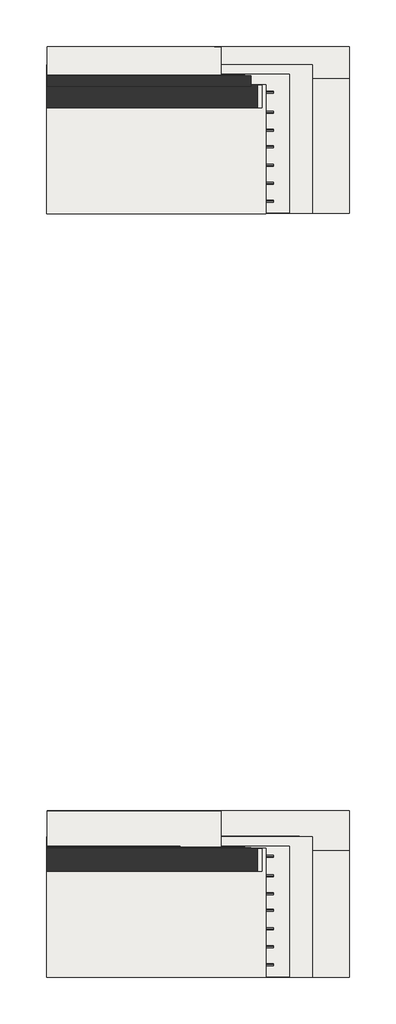
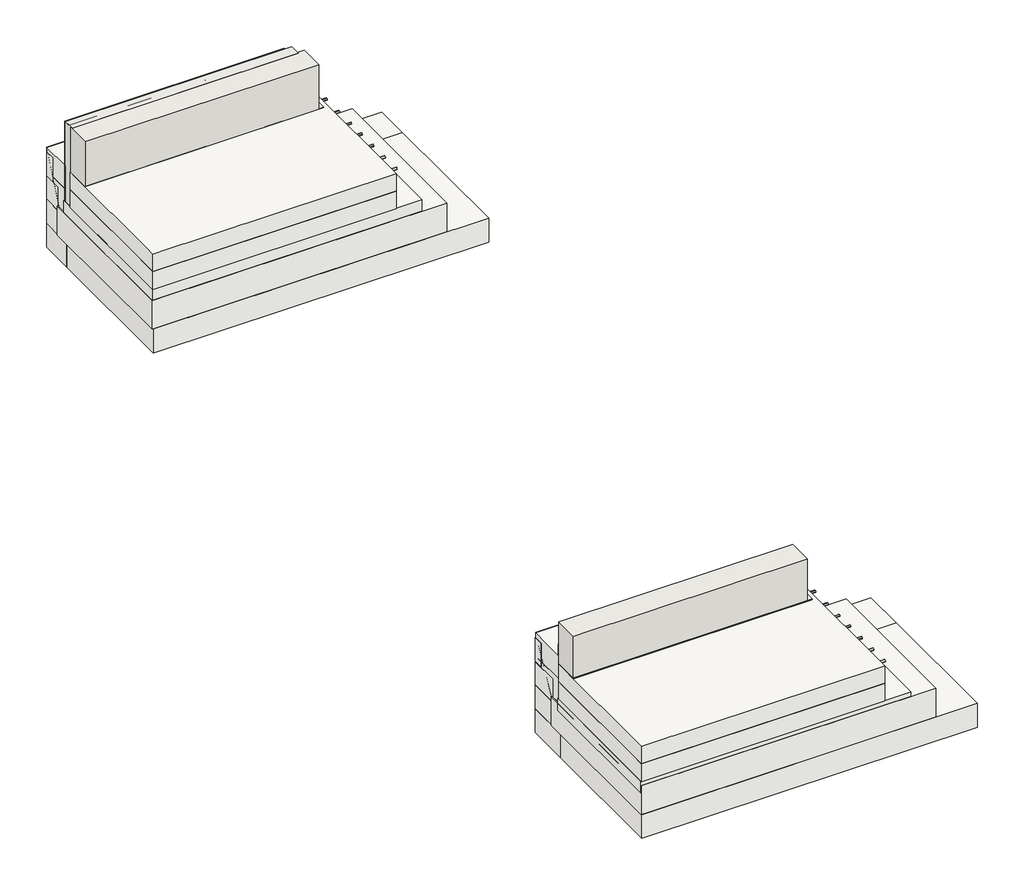
# One storey: 26 slabs, 14 pipe segments, 7 walls, 2 coverings.
"""IFC4 building model written with IfcOpenShell, lengths in millimetres."""

from ifc_helpers import new_model, si_unit, point, frame, frame_2d, origin, origin_with_axes, place, context, project, spatial, polyline, circle_curve, trimmed, segment, composite_curve, outline, extrude, faceted_brep, element, save
from ifc_brep_helpers import plane_surface, spline_surface, advanced_brep

model = new_model("IFC4")

# Units and contexts
model_context = context("Model", 3, world=origin())
ifc_project = project(units=[si_unit("LENGTHUNIT", "METRE", prefix="MILLI")], contexts=[model_context])

# Site, building, storey
site = spatial("IfcSite", under=ifc_project)
building = spatial("IfcBuilding", under=site)
storey = spatial("IfcBuildingStorey", under=building, Elevation=0.0)

# Coverings
placement = place(None, origin())
element("IfcCovering", 1, at=placement, inside=storey, context=model_context, shape_type="SweptSolid", body=[
    extrude(outline(polyline([(-19912.9443313, 1078.3877949), (-19912.9443313, 1375.4120749), (-17072.9443313, 1375.4120749), (-17072.9443313, 1078.3877949), (-19912.9443313, 1078.3877949)])), frame((0.0, 0.0, 902.0), z_axis=(0.0, 0.0, 1.0), x_axis=(1.0, 0.0, 0.0)), (0.0, 0.0, 1.0), 57.0),
])
element("IfcCovering", 2, at=placement, inside=storey, context=model_context, shape_type="SweptSolid", body=[
    extrude(outline(polyline([(-19912.9443313, -9012.5125117), (-19912.9443313, -8715.4882317), (-17072.9443313, -8715.4882317), (-17072.9443313, -9012.5125117), (-19912.9443313, -9012.5125117)])), frame((0.0, 0.0, 815.0), z_axis=(0.0, 0.0, 1.0), x_axis=(1.0, 0.0, 0.0)), (0.0, 0.0, 1.0), 57.0),
])

# Pipe segments
element("IfcPipeSegment", 3, at=placement, inside=storey, context=model_context, shape_type="SweptSolid", body=[
    extrude(outline(composite_curve([segment(trimmed(circle_curve(frame_2d((-161.9282434, 886.7937383)), 13.335), [point((-148.5932434, 886.7937383))], [point((-161.9282434, 873.4587383))], False, "CARTESIAN"), True, "CONTINUOUS"), segment(trimmed(circle_curve(frame_2d((-161.9282434, 886.7937383)), 13.335), [point((-161.9282434, 873.4587383))], [point((-175.2632434, 886.7937383))], False, "CARTESIAN"), True, "CONTINUOUS"), segment(trimmed(circle_curve(frame_2d((-161.9282434, 886.7937383)), 13.335), [point((-175.2632434, 886.7937383))], [point((-161.9282434, 900.1287383))], False, "CARTESIAN"), True, "CONTINUOUS"), segment(trimmed(circle_curve(frame_2d((-161.9282434, 886.7937383)), 13.335), [point((-161.9282434, 900.1287383))], [point((-148.5932434, 886.7937383))], False, "CARTESIAN"), True, "CONTINUOUS")], self_intersect=False)), frame((-17139.8329252, 0.0, 0.0), z_axis=(1.0, 0.0, 0.0), x_axis=(0.0, 1.0, 0.0)), (0.0, 0.0, 1.0), 220.0),
])
element("IfcPipeSegment", 4, at=placement, inside=storey, context=model_context, shape_type="SweptSolid", body=[
    extrude(outline(composite_curve([segment(trimmed(circle_curve(frame_2d((78.0717566, 886.7937383)), 13.335), [point((91.4067566, 886.7937383))], [point((78.0717566, 873.4587383))], False, "CARTESIAN"), True, "CONTINUOUS"), segment(trimmed(circle_curve(frame_2d((78.0717566, 886.7937383)), 13.335), [point((78.0717566, 873.4587383))], [point((64.7367566, 886.7937383))], False, "CARTESIAN"), True, "CONTINUOUS"), segment(trimmed(circle_curve(frame_2d((78.0717566, 886.7937383)), 13.335), [point((64.7367566, 886.7937383))], [point((78.0717566, 900.1287383))], False, "CARTESIAN"), True, "CONTINUOUS"), segment(trimmed(circle_curve(frame_2d((78.0717566, 886.7937383)), 13.335), [point((78.0717566, 900.1287383))], [point((91.4067566, 886.7937383))], False, "CARTESIAN"), True, "CONTINUOUS")], self_intersect=False)), frame((-17139.8329252, 0.0, 0.0), z_axis=(1.0, 0.0, 0.0), x_axis=(0.0, 1.0, 0.0)), (0.0, 0.0, 1.0), 220.0),
])
element("IfcPipeSegment", 5, at=placement, inside=storey, context=model_context, shape_type="SweptSolid", body=[
    extrude(outline(composite_curve([segment(trimmed(circle_curve(frame_2d((318.0717566, 886.7937383)), 13.335), [point((331.4067566, 886.7937383))], [point((318.0717566, 873.4587383))], False, "CARTESIAN"), True, "CONTINUOUS"), segment(trimmed(circle_curve(frame_2d((318.0717566, 886.7937383)), 13.335), [point((318.0717566, 873.4587383))], [point((304.7367566, 886.7937383))], False, "CARTESIAN"), True, "CONTINUOUS"), segment(trimmed(circle_curve(frame_2d((318.0717566, 886.7937383)), 13.335), [point((304.7367566, 886.7937383))], [point((318.0717566, 900.1287383))], False, "CARTESIAN"), True, "CONTINUOUS"), segment(trimmed(circle_curve(frame_2d((318.0717566, 886.7937383)), 13.335), [point((318.0717566, 900.1287383))], [point((331.4067566, 886.7937383))], False, "CARTESIAN"), True, "CONTINUOUS")], self_intersect=False)), frame((-17139.8329252, 0.0, 0.0), z_axis=(1.0, 0.0, 0.0), x_axis=(0.0, 1.0, 0.0)), (0.0, 0.0, 1.0), 220.0),
])
element("IfcPipeSegment", 6, at=placement, inside=storey, context=model_context, shape_type="SweptSolid", body=[
    extrude(outline(composite_curve([segment(trimmed(circle_curve(frame_2d((558.0717566, 886.7937383)), 13.335), [point((571.4067566, 886.7937383))], [point((558.0717566, 873.4587383))], False, "CARTESIAN"), True, "CONTINUOUS"), segment(trimmed(circle_curve(frame_2d((558.0717566, 886.7937383)), 13.335), [point((558.0717566, 873.4587383))], [point((544.7367566, 886.7937383))], False, "CARTESIAN"), True, "CONTINUOUS"), segment(trimmed(circle_curve(frame_2d((558.0717566, 886.7937383)), 13.335), [point((544.7367566, 886.7937383))], [point((558.0717566, 900.1287383))], False, "CARTESIAN"), True, "CONTINUOUS"), segment(trimmed(circle_curve(frame_2d((558.0717566, 886.7937383)), 13.335), [point((558.0717566, 900.1287383))], [point((571.4067566, 886.7937383))], False, "CARTESIAN"), True, "CONTINUOUS")], self_intersect=False)), frame((-17139.8329252, 0.0, 0.0), z_axis=(1.0, 0.0, 0.0), x_axis=(0.0, 1.0, 0.0)), (0.0, 0.0, 1.0), 220.0),
])
element("IfcPipeSegment", 7, at=placement, inside=storey, context=model_context, shape_type="SweptSolid", body=[
    extrude(outline(composite_curve([segment(trimmed(circle_curve(frame_2d((778.0717566, 886.7937383)), 13.335), [point((791.4067566, 886.7937383))], [point((778.0717566, 873.4587383))], False, "CARTESIAN"), True, "CONTINUOUS"), segment(trimmed(circle_curve(frame_2d((778.0717566, 886.7937383)), 13.335), [point((778.0717566, 873.4587383))], [point((764.7367566, 886.7937383))], False, "CARTESIAN"), True, "CONTINUOUS"), segment(trimmed(circle_curve(frame_2d((778.0717566, 886.7937383)), 13.335), [point((764.7367566, 886.7937383))], [point((778.0717566, 900.1287383))], False, "CARTESIAN"), True, "CONTINUOUS"), segment(trimmed(circle_curve(frame_2d((778.0717566, 886.7937383)), 13.335), [point((778.0717566, 900.1287383))], [point((791.4067566, 886.7937383))], False, "CARTESIAN"), True, "CONTINUOUS")], self_intersect=False)), frame((-17139.8329252, 0.0, 0.0), z_axis=(1.0, 0.0, 0.0), x_axis=(0.0, 1.0, 0.0)), (0.0, 0.0, 1.0), 220.0),
])
element("IfcPipeSegment", 8, at=placement, inside=storey, context=model_context, shape_type="SweptSolid", body=[
    extrude(outline(composite_curve([segment(trimmed(circle_curve(frame_2d((1018.0717566, 886.7937383)), 13.335), [point((1031.4067566, 886.7937383))], [point((1018.0717566, 873.4587383))], False, "CARTESIAN"), True, "CONTINUOUS"), segment(trimmed(circle_curve(frame_2d((1018.0717566, 886.7937383)), 13.335), [point((1018.0717566, 873.4587383))], [point((1004.7367566, 886.7937383))], False, "CARTESIAN"), True, "CONTINUOUS"), segment(trimmed(circle_curve(frame_2d((1018.0717566, 886.7937383)), 13.335), [point((1004.7367566, 886.7937383))], [point((1018.0717566, 900.1287383))], False, "CARTESIAN"), True, "CONTINUOUS"), segment(trimmed(circle_curve(frame_2d((1018.0717566, 886.7937383)), 13.335), [point((1018.0717566, 900.1287383))], [point((1031.4067566, 886.7937383))], False, "CARTESIAN"), True, "CONTINUOUS")], self_intersect=False)), frame((-17139.8329252, 0.0, 0.0), z_axis=(1.0, 0.0, 0.0), x_axis=(0.0, 1.0, 0.0)), (0.0, 0.0, 1.0), 220.0),
])
element("IfcPipeSegment", 9, at=placement, inside=storey, context=model_context, shape_type="SweptSolid", body=[
    extrude(outline(composite_curve([segment(trimmed(circle_curve(frame_2d((1278.0717566, 886.7937383)), 13.335), [point((1291.4067566, 886.7937383))], [point((1278.0717566, 873.4587383))], False, "CARTESIAN"), True, "CONTINUOUS"), segment(trimmed(circle_curve(frame_2d((1278.0717566, 886.7937383)), 13.335), [point((1278.0717566, 873.4587383))], [point((1264.7367566, 886.7937383))], False, "CARTESIAN"), True, "CONTINUOUS"), segment(trimmed(circle_curve(frame_2d((1278.0717566, 886.7937383)), 13.335), [point((1264.7367566, 886.7937383))], [point((1278.0717566, 900.1287383))], False, "CARTESIAN"), True, "CONTINUOUS"), segment(trimmed(circle_curve(frame_2d((1278.0717566, 886.7937383)), 13.335), [point((1278.0717566, 900.1287383))], [point((1291.4067566, 886.7937383))], False, "CARTESIAN"), True, "CONTINUOUS")], self_intersect=False)), frame((-17139.8329252, 0.0, 0.0), z_axis=(1.0, 0.0, 0.0), x_axis=(0.0, 1.0, 0.0)), (0.0, 0.0, 1.0), 220.0),
])
element("IfcPipeSegment", 10, at=placement, inside=storey, context=model_context, shape_type="SweptSolid", body=[
    extrude(outline(composite_curve([segment(trimmed(circle_curve(frame_2d((-10253.4738214, 795.4859805)), 13.335), [point((-10240.1388214, 795.4859805))], [point((-10253.4738214, 782.1509805))], False, "CARTESIAN"), True, "CONTINUOUS"), segment(trimmed(circle_curve(frame_2d((-10253.4738214, 795.4859805)), 13.335), [point((-10253.4738214, 782.1509805))], [point((-10266.8088214, 795.4859805))], False, "CARTESIAN"), True, "CONTINUOUS"), segment(trimmed(circle_curve(frame_2d((-10253.4738214, 795.4859805)), 13.335), [point((-10266.8088214, 795.4859805))], [point((-10253.4738214, 808.8209805))], False, "CARTESIAN"), True, "CONTINUOUS"), segment(trimmed(circle_curve(frame_2d((-10253.4738214, 795.4859805)), 13.335), [point((-10253.4738214, 808.8209805))], [point((-10240.1388214, 795.4859805))], False, "CARTESIAN"), True, "CONTINUOUS")], self_intersect=False)), frame((-17139.8329252, 0.0, 0.0), z_axis=(1.0, 0.0, 0.0), x_axis=(0.0, 1.0, 0.0)), (0.0, 0.0, 1.0), 220.0),
])
element("IfcPipeSegment", 11, at=placement, inside=storey, context=model_context, shape_type="SweptSolid", body=[
    extrude(outline(composite_curve([segment(trimmed(circle_curve(frame_2d((-10013.4738214, 795.4859805)), 13.335), [point((-10000.1388214, 795.4859805))], [point((-10013.4738214, 782.1509805))], False, "CARTESIAN"), True, "CONTINUOUS"), segment(trimmed(circle_curve(frame_2d((-10013.4738214, 795.4859805)), 13.335), [point((-10013.4738214, 782.1509805))], [point((-10026.8088214, 795.4859805))], False, "CARTESIAN"), True, "CONTINUOUS"), segment(trimmed(circle_curve(frame_2d((-10013.4738214, 795.4859805)), 13.335), [point((-10026.8088214, 795.4859805))], [point((-10013.4738214, 808.8209805))], False, "CARTESIAN"), True, "CONTINUOUS"), segment(trimmed(circle_curve(frame_2d((-10013.4738214, 795.4859805)), 13.335), [point((-10013.4738214, 808.8209805))], [point((-10000.1388214, 795.4859805))], False, "CARTESIAN"), True, "CONTINUOUS")], self_intersect=False)), frame((-17139.8329252, 0.0, 0.0), z_axis=(1.0, 0.0, 0.0), x_axis=(0.0, 1.0, 0.0)), (0.0, 0.0, 1.0), 220.0),
])
element("IfcPipeSegment", 12, at=placement, inside=storey, context=model_context, shape_type="SweptSolid", body=[
    extrude(outline(composite_curve([segment(trimmed(circle_curve(frame_2d((-9773.4738214, 795.4859805)), 13.335), [point((-9760.1388214, 795.4859805))], [point((-9773.4738214, 782.1509805))], False, "CARTESIAN"), True, "CONTINUOUS"), segment(trimmed(circle_curve(frame_2d((-9773.4738214, 795.4859805)), 13.335), [point((-9773.4738214, 782.1509805))], [point((-9786.8088214, 795.4859805))], False, "CARTESIAN"), True, "CONTINUOUS"), segment(trimmed(circle_curve(frame_2d((-9773.4738214, 795.4859805)), 13.335), [point((-9786.8088214, 795.4859805))], [point((-9773.4738214, 808.8209805))], False, "CARTESIAN"), True, "CONTINUOUS"), segment(trimmed(circle_curve(frame_2d((-9773.4738214, 795.4859805)), 13.335), [point((-9773.4738214, 808.8209805))], [point((-9760.1388214, 795.4859805))], False, "CARTESIAN"), True, "CONTINUOUS")], self_intersect=False)), frame((-17139.8329252, 0.0, 0.0), z_axis=(1.0, 0.0, 0.0), x_axis=(0.0, 1.0, 0.0)), (0.0, 0.0, 1.0), 220.0),
])
element("IfcPipeSegment", 13, at=placement, inside=storey, context=model_context, shape_type="SweptSolid", body=[
    extrude(outline(composite_curve([segment(trimmed(circle_curve(frame_2d((-9533.4738214, 795.4859805)), 13.335), [point((-9520.1388214, 795.4859805))], [point((-9533.4738214, 782.1509805))], False, "CARTESIAN"), True, "CONTINUOUS"), segment(trimmed(circle_curve(frame_2d((-9533.4738214, 795.4859805)), 13.335), [point((-9533.4738214, 782.1509805))], [point((-9546.8088214, 795.4859805))], False, "CARTESIAN"), True, "CONTINUOUS"), segment(trimmed(circle_curve(frame_2d((-9533.4738214, 795.4859805)), 13.335), [point((-9546.8088214, 795.4859805))], [point((-9533.4738214, 808.8209805))], False, "CARTESIAN"), True, "CONTINUOUS"), segment(trimmed(circle_curve(frame_2d((-9533.4738214, 795.4859805)), 13.335), [point((-9533.4738214, 808.8209805))], [point((-9520.1388214, 795.4859805))], False, "CARTESIAN"), True, "CONTINUOUS")], self_intersect=False)), frame((-17139.8329252, 0.0, 0.0), z_axis=(1.0, 0.0, 0.0), x_axis=(0.0, 1.0, 0.0)), (0.0, 0.0, 1.0), 220.0),
])
element("IfcPipeSegment", 14, at=placement, inside=storey, context=model_context, shape_type="SweptSolid", body=[
    extrude(outline(composite_curve([segment(trimmed(circle_curve(frame_2d((-9313.4738214, 795.4859805)), 13.335), [point((-9300.1388214, 795.4859805))], [point((-9313.4738214, 782.1509805))], False, "CARTESIAN"), True, "CONTINUOUS"), segment(trimmed(circle_curve(frame_2d((-9313.4738214, 795.4859805)), 13.335), [point((-9313.4738214, 782.1509805))], [point((-9326.8088214, 795.4859805))], False, "CARTESIAN"), True, "CONTINUOUS"), segment(trimmed(circle_curve(frame_2d((-9313.4738214, 795.4859805)), 13.335), [point((-9326.8088214, 795.4859805))], [point((-9313.4738214, 808.8209805))], False, "CARTESIAN"), True, "CONTINUOUS"), segment(trimmed(circle_curve(frame_2d((-9313.4738214, 795.4859805)), 13.335), [point((-9313.4738214, 808.8209805))], [point((-9300.1388214, 795.4859805))], False, "CARTESIAN"), True, "CONTINUOUS")], self_intersect=False)), frame((-17139.8329252, 0.0, 0.0), z_axis=(1.0, 0.0, 0.0), x_axis=(0.0, 1.0, 0.0)), (0.0, 0.0, 1.0), 220.0),
])
element("IfcPipeSegment", 15, at=placement, inside=storey, context=model_context, shape_type="SweptSolid", body=[
    extrude(outline(composite_curve([segment(trimmed(circle_curve(frame_2d((-9073.4738214, 795.4859805)), 13.335), [point((-9060.1388214, 795.4859805))], [point((-9073.4738214, 782.1509805))], False, "CARTESIAN"), True, "CONTINUOUS"), segment(trimmed(circle_curve(frame_2d((-9073.4738214, 795.4859805)), 13.335), [point((-9073.4738214, 782.1509805))], [point((-9086.8088214, 795.4859805))], False, "CARTESIAN"), True, "CONTINUOUS"), segment(trimmed(circle_curve(frame_2d((-9073.4738214, 795.4859805)), 13.335), [point((-9086.8088214, 795.4859805))], [point((-9073.4738214, 808.8209805))], False, "CARTESIAN"), True, "CONTINUOUS"), segment(trimmed(circle_curve(frame_2d((-9073.4738214, 795.4859805)), 13.335), [point((-9073.4738214, 808.8209805))], [point((-9060.1388214, 795.4859805))], False, "CARTESIAN"), True, "CONTINUOUS")], self_intersect=False)), frame((-17139.8329252, 0.0, 0.0), z_axis=(1.0, 0.0, 0.0), x_axis=(0.0, 1.0, 0.0)), (0.0, 0.0, 1.0), 220.0),
])
element("IfcPipeSegment", 16, at=placement, inside=storey, context=model_context, shape_type="SweptSolid", body=[
    extrude(outline(composite_curve([segment(trimmed(circle_curve(frame_2d((-8813.4738214, 795.4859805)), 13.335), [point((-8800.1388214, 795.4859805))], [point((-8813.4738214, 782.1509805))], False, "CARTESIAN"), True, "CONTINUOUS"), segment(trimmed(circle_curve(frame_2d((-8813.4738214, 795.4859805)), 13.335), [point((-8813.4738214, 782.1509805))], [point((-8826.8088214, 795.4859805))], False, "CARTESIAN"), True, "CONTINUOUS"), segment(trimmed(circle_curve(frame_2d((-8813.4738214, 795.4859805)), 13.335), [point((-8826.8088214, 795.4859805))], [point((-8813.4738214, 808.8209805))], False, "CARTESIAN"), True, "CONTINUOUS"), segment(trimmed(circle_curve(frame_2d((-8813.4738214, 795.4859805)), 13.335), [point((-8813.4738214, 808.8209805))], [point((-8800.1388214, 795.4859805))], False, "CARTESIAN"), True, "CONTINUOUS")], self_intersect=False)), frame((-17139.8329252, 0.0, 0.0), z_axis=(1.0, 0.0, 0.0), x_axis=(0.0, 1.0, 0.0)), (0.0, 0.0, 1.0), 220.0),
])

# Slabs
element("IfcSlab", 17, at=placement, inside=storey, context=model_context, shape_type="SweptSolid", body=[
    extrude(outline(polyline([(-15912.8443338, -318.3267269), (-19913.0443288, -318.3267269), (-19913.0443288, 1461.6732731), (-15912.8443338, 1461.6732731), (-15912.8443338, -318.3267269)])), frame((0.0, 0.0, -300.0), z_axis=(0.0, 0.0, 1.0), x_axis=(1.0, 0.0, 0.0)), (0.0, 0.0, 1.0), 300.0),
])
element("IfcSlab", 18, at=placement, inside=storey, context=model_context, shape_type="AdvancedBrep", body=[
    advanced_brep(
    [(-17612.9443313, 1464.9960141, -300.0), (-17612.9443313, 1464.9960141, 0.0), (-19911.4859544, 1464.9960141, 0.0), (-19911.4859544, 1464.9960141, -300.0), (-19911.4859544, 1884.9960141, 960.0), (-19911.4859544, 1884.9960141, 660.0), (-17612.9443313, 1884.9960141, 965.9460662), (-17612.9443313, 1884.9960141, 665.9460662)],
    [
        (0, 1),
        (1, 2),
        (2, 3),
        (3, 0),
        (2, 4),
        (4, 5),
        (5, 3),
        (4, 6),
        (6, 7),
        (7, 5),
        (6, 1),
        (0, 7),
    ],
    [
        plane_surface(frame((-17612.9443313, 1464.9960141, -300.0), z_axis=(0.0, -1.0, 0.0), x_axis=(0.0, 0.0, 1.0))),
        plane_surface(frame((-19911.4859544, 1464.9960141, -300.0), z_axis=(-1.0, 0.0, 0.0), x_axis=(0.0, 0.0, 1.0))),
        plane_surface(frame((-19911.4859544, 1884.9960141, -300.0), z_axis=(0.0, 1.0, 0.0), x_axis=(0.0, 0.0, 1.0))),
        plane_surface(frame((-17612.9443313, 1884.9960141, -300.0), z_axis=(1.0, 0.0, 0.0), x_axis=(0.0, 0.0, 1.0))),
        spline_surface(1, 1, [[(-19911.4859544, 1884.9960141, 960.0), (-17612.9443313, 1884.9960141, 965.9460662)], [(-19911.4859544, 1464.9960141, 0.0), (-17612.9443313, 1464.9960141, 0.0)]], [2, 2], [2, 2], [0.0, 1.0], [0.0, 1.0]),
        spline_surface(1, 1, [[(-19911.4859544, 1884.9960141, 660.0), (-19911.4859544, 1464.9960141, -300.0)], [(-17612.9443313, 1884.9960141, 665.9460662), (-17612.9443313, 1464.9960141, -300.0)]], [2, 2], [2, 2], [0.0, 1.0], [0.0, 1.0]),
    ],
    [
        (0, [[1, 2, 3, 4]]),
        (1, [[-3, 5, 6, 7]]),
        (2, [[-6, 8, 9, 10]]),
        (3, [[-9, 11, -1, 12]]),
        (4, [[-8, -5, -2, -11]]),
        (5, [[-12, -4, -7, -10]]),
    ],
),
])
element("IfcSlab", 19, at=placement, inside=storey, context=model_context, shape_type="SweptSolid", body=[
    extrude(outline(polyline([(-19912.9443313, 1464.9960141), (-19912.9443313, 1884.9960141), (-15912.9443313, 1884.9960141), (-15912.9443313, 1464.9960141), (-19912.9443313, 1464.9960141)])), frame((0.0, 0.0, -300.0), z_axis=(0.0, 0.0, 1.0), x_axis=(1.0, 0.0, 0.0)), (0.0, 0.0, 1.0), 300.0),
])
element("IfcSlab", 20, at=placement, inside=storey, context=model_context, shape_type="SweptSolid", body=[
    extrude(outline(polyline([(-17612.9443313, 1761.9190911), (-19912.9443313, 1761.9190911), (-19912.9443313, 1884.9960141), (-17612.9443313, 1884.9960141), (-17612.9443313, 1761.9190911)])), frame((0.0, 0.0, 600.0), z_axis=(0.0, 0.0, 1.0), x_axis=(1.0, 0.0, 0.0)), (0.0, 0.0, 1.0), 300.0),
])
element("IfcSlab", 21, at=placement, inside=storey, context=model_context, shape_type="SweptSolid", body=[
    extrude(outline(polyline([(-16406.2745506, -314.9257544), (-19919.6141119, -314.9257544), (-19919.6141119, 1647.3292404), (-16406.2745506, 1647.3292404), (-16406.2745506, -314.9257544)])), origin_with_axes(), (0.0, 0.0, 1.0), 362.0),
])
element("IfcSlab", 22, at=placement, inside=storey, context=model_context, shape_type="SweptSolid", body=[
    extrude(outline(polyline([(-16705.6519655, -310.6118554), (-19920.236697, -310.6118554), (-19920.236697, 1518.0717566), (-16705.6519655, 1518.0717566), (-16705.6519655, -310.6118554)])), frame((0.0, 0.0, 360.0), z_axis=(0.0, 0.0, 1.0), x_axis=(1.0, 0.0, 0.0)), (0.0, 0.0, 1.0), 150.0),
])
element("IfcSlab", 23, at=placement, inside=storey, context=model_context, shape_type="SweptSolid", body=[
    extrude(outline(polyline([(-19912.9443313, 1608.0717566), (-19912.9443313, 1884.709299), (-17612.9443313, 1884.709299), (-17612.9443313, 1608.0717566), (-19912.9443313, 1608.0717566)])), frame((0.0, 0.0, 2.0), z_axis=(0.0, 0.0, 1.0), x_axis=(1.0, 0.0, 0.0)), (0.0, 0.0, 1.0), 300.0),
])
element("IfcSlab", 24, at=placement, inside=storey, context=model_context, shape_type="SweptSolid", body=[
    extrude(outline(polyline([(-19912.9443313, 1657.3292404), (-19912.9443313, 1884.9960141), (-17612.9443313, 1884.9960141), (-17612.9443313, 1657.3292404), (-19912.9443313, 1657.3292404)])), frame((0.0, 0.0, 292.5829854), z_axis=(0.0, 0.0, 1.0), x_axis=(1.0, 0.0, 0.0)), (0.0, 0.0, 1.0), 300.0),
])
element("IfcSlab", 25, at=placement, inside=storey, context=model_context, shape_type="SweptSolid", body=[
    extrude(outline(polyline([(-19912.9443313, 1498.0717566), (-19912.9443313, 1825.7640642), (-17612.9443313, 1825.7640642), (-17612.9443313, 1498.0717566), (-19912.9443313, 1498.0717566)])), frame((0.0, 0.0, 366.2474743), z_axis=(0.0, 0.0, 1.0), x_axis=(1.0, 0.0, 0.0)), (0.0, 0.0, 1.0), 300.0),
])
element("IfcSlab", 26, at=placement, inside=storey, context=model_context, shape_type="SweptSolid", body=[
    extrude(outline(polyline([(-19912.9443313, 1498.0717566), (-19912.9443313, 1880.166432), (-17612.9443313, 1880.166432), (-17612.9443313, 1498.0717566), (-19912.9443313, 1498.0717566)])), frame((0.0, 0.0, 660.0), z_axis=(0.0, 0.0, 1.0), x_axis=(1.0, 0.0, 0.0)), (0.0, 0.0, 1.0), 300.0),
])
element("IfcSlab", 27, at=placement, inside=storey, context=model_context, shape_type="SweptSolid", body=[
    extrude(outline(polyline([(-17017.7771422, -323.7334546), (-19921.2233707, -323.7334546), (-19921.2233707, 1378.0717566), (-17017.7771422, 1378.0717566), (-17017.7771422, -323.7334546)])), frame((0.0, 0.0, 508.4174424), z_axis=(0.0, 0.0, 1.0), x_axis=(1.0, 0.0, 0.0)), (0.0, 0.0, 1.0), 225.0),
])
element("IfcSlab", 28, at=placement, inside=storey, context=model_context, shape_type="SweptSolid", body=[
    extrude(outline(polyline([(-17017.7771422, -323.7334546), (-19921.2233707, -323.7334546), (-19921.2233707, 1378.0717566), (-17017.7771422, 1378.0717566), (-17017.7771422, -323.7334546)])), frame((0.0, 0.0, 728.4174424), z_axis=(0.0, 0.0, 1.0), x_axis=(1.0, 0.0, 0.0)), (0.0, 0.0, 1.0), 225.0),
])
element("IfcSlab", 29, at=placement, inside=storey, context=model_context, shape_type="SweptSolid", body=[
    extrude(outline(polyline([(-15911.7634299, -10418.3267269), (-19914.1252327, -10418.3267269), (-19914.1252327, -8743.3267269), (-15911.7634299, -8743.3267269), (-15911.7634299, -10418.3267269)])), frame((0.0, 0.0, -300.0), z_axis=(0.0, 0.0, 1.0), x_axis=(1.0, 0.0, 0.0)), (0.0, 0.0, 1.0), 300.0),
])
element("IfcSlab", 30, at=placement, inside=storey, context=model_context, shape_type="AdvancedBrep", body=[
    advanced_brep(
    [(-17612.9443313, -8740.0039859, -300.0), (-17612.9443313, -8740.0039859, 0.0), (-19911.4859544, -8740.0039859, 0.0), (-19911.4859544, -8740.0039859, -300.0), (-19911.4859544, -8215.0039859, 960.0), (-19911.4859544, -8215.0039859, 660.0), (-17612.9443313, -8215.0039859, 965.9460662), (-17612.9443313, -8215.0039859, 665.9460662)],
    [
        (0, 1),
        (1, 2),
        (2, 3),
        (3, 0),
        (2, 4),
        (4, 5),
        (5, 3),
        (4, 6),
        (6, 7),
        (7, 5),
        (6, 1),
        (0, 7),
    ],
    [
        plane_surface(frame((-17612.9443313, -8740.0039859, -300.0), z_axis=(0.0, -1.0, 0.0), x_axis=(0.0, 0.0, 1.0))),
        plane_surface(frame((-19911.4859544, -8740.0039859, -300.0), z_axis=(-1.0, 0.0, 0.0), x_axis=(0.0, 0.0, 1.0))),
        plane_surface(frame((-19911.4859544, -8215.0039859, -300.0), z_axis=(0.0, 1.0, 0.0), x_axis=(0.0, 0.0, 1.0))),
        plane_surface(frame((-17612.9443313, -8215.0039859, -300.0), z_axis=(1.0, 0.0, 0.0), x_axis=(0.0, 0.0, 1.0))),
        spline_surface(1, 1, [[(-19911.4859544, -8215.0039859, 960.0), (-17612.9443313, -8215.0039859, 965.9460662)], [(-19911.4859544, -8740.0039859, 0.0), (-17612.9443313, -8740.0039859, 0.0)]], [2, 2], [2, 2], [0.0, 1.0], [0.0, 1.0]),
        spline_surface(1, 1, [[(-19911.4859544, -8215.0039859, 660.0), (-19911.4859544, -8740.0039859, -300.0)], [(-17612.9443313, -8215.0039859, 665.9460662), (-17612.9443313, -8740.0039859, -300.0)]], [2, 2], [2, 2], [0.0, 1.0], [0.0, 1.0]),
    ],
    [
        (0, [[1, 2, 3, 4]]),
        (1, [[-3, 5, 6, 7]]),
        (2, [[-6, 8, 9, 10]]),
        (3, [[-9, 11, -1, 12]]),
        (4, [[-8, -5, -2, -11]]),
        (5, [[-12, -4, -7, -10]]),
    ],
),
])
element("IfcSlab", 31, at=placement, inside=storey, context=model_context, shape_type="SweptSolid", body=[
    extrude(outline(polyline([(-19912.9443313, -8740.0039859), (-19912.9443313, -8215.0039859), (-15912.9443313, -8215.0039859), (-15912.9443313, -8740.0039859), (-19912.9443313, -8740.0039859)])), frame((0.0, 0.0, -300.0), z_axis=(0.0, 0.0, 1.0), x_axis=(1.0, 0.0, 0.0)), (0.0, 0.0, 1.0), 300.0),
])
element("IfcSlab", 32, at=placement, inside=storey, context=model_context, shape_type="SweptSolid", body=[
    extrude(outline(polyline([(-17612.9443313, -8338.0809089), (-19912.9443313, -8338.0809089), (-19912.9443313, -8215.0039859), (-17612.9443313, -8215.0039859), (-17612.9443313, -8338.0809089)])), frame((0.0, 0.0, 600.0), z_axis=(0.0, 0.0, 1.0), x_axis=(1.0, 0.0, 0.0)), (0.0, 0.0, 1.0), 300.0),
])
element("IfcSlab", 33, at=placement, inside=storey, context=model_context, shape_type="SweptSolid", body=[
    extrude(outline(polyline([(-16405.0439591, -10414.9257544), (-19920.8447034, -10414.9257544), (-19920.8447034, -8557.6707596), (-16405.0439591, -8557.6707596), (-16405.0439591, -10414.9257544)])), origin_with_axes(), (0.0, 0.0, 1.0), 362.0),
])
element("IfcSlab", 34, at=placement, inside=storey, context=model_context, shape_type="SweptSolid", body=[
    extrude(outline(polyline([(-16704.3070977, -10410.2261119), (-19921.5815648, -10410.2261119), (-19921.5815648, -8686.9282434), (-16704.3070977, -8686.9282434), (-16704.3070977, -10410.2261119)])), frame((0.0, 0.0, 270.0), z_axis=(0.0, 0.0, 1.0), x_axis=(1.0, 0.0, 0.0)), (0.0, 0.0, 1.0), 150.0),
])
element("IfcSlab", 35, at=placement, inside=storey, context=model_context, shape_type="SweptSolid", body=[
    extrude(outline(polyline([(-19912.9443313, -8618.9282434), (-19912.9443313, -8215.290701), (-17612.9443313, -8215.290701), (-17612.9443313, -8618.9282434), (-19912.9443313, -8618.9282434)])), frame((0.0, 0.0, 2.0), z_axis=(0.0, 0.0, 1.0), x_axis=(1.0, 0.0, 0.0)), (0.0, 0.0, 1.0), 300.0),
])
element("IfcSlab", 36, at=placement, inside=storey, context=model_context, shape_type="SweptSolid", body=[
    extrude(outline(polyline([(-19912.9443313, -8569.6707596), (-19912.9443313, -8215.0039859), (-17612.9443313, -8215.0039859), (-17612.9443313, -8569.6707596), (-19912.9443313, -8569.6707596)])), frame((0.0, 0.0, 292.5829854), z_axis=(0.0, 0.0, 1.0), x_axis=(1.0, 0.0, 0.0)), (0.0, 0.0, 1.0), 300.0),
])
element("IfcSlab", 37, at=placement, inside=storey, context=model_context, shape_type="SweptSolid", body=[
    extrude(outline(polyline([(-19912.9443313, -8706.9282434), (-19912.9443313, -8274.2359358), (-17612.9443313, -8274.2359358), (-17612.9443313, -8706.9282434), (-19912.9443313, -8706.9282434)])), frame((0.0, 0.0, 366.2474743), z_axis=(0.0, 0.0, 1.0), x_axis=(1.0, 0.0, 0.0)), (0.0, 0.0, 1.0), 300.0),
])
element("IfcSlab", 38, at=placement, inside=storey, context=model_context, shape_type="SweptSolid", body=[
    extrude(outline(polyline([(-19912.9443313, -8706.9282434), (-19912.9443313, -8219.833568), (-17612.9443313, -8219.833568), (-17612.9443313, -8706.9282434), (-19912.9443313, -8706.9282434)])), frame((0.0, 0.0, 660.0), z_axis=(0.0, 0.0, 1.0), x_axis=(1.0, 0.0, 0.0)), (0.0, 0.0, 1.0), 300.0),
])
element("IfcSlab", 39, at=placement, inside=storey, context=model_context, shape_type="SweptSolid", body=[
    extrude(outline(polyline([(-17017.7771422, -10415.2790326), (-19921.2233707, -10415.2790326), (-19921.2233707, -8713.4738214), (-17017.7771422, -8713.4738214), (-17017.7771422, -10415.2790326)])), frame((0.0, 0.0, 417.1096846), z_axis=(0.0, 0.0, 1.0), x_axis=(1.0, 0.0, 0.0)), (0.0, 0.0, 1.0), 225.0),
])
element("IfcSlab", 40, at=placement, inside=storey, context=model_context, shape_type="SweptSolid", body=[
    extrude(outline(polyline([(-17017.7771422, -10415.2790326), (-19921.2233707, -10415.2790326), (-19921.2233707, -8713.4738214), (-17017.7771422, -8713.4738214), (-17017.7771422, -10415.2790326)])), frame((0.0, 0.0, 637.1096846), z_axis=(0.0, 0.0, 1.0), x_axis=(1.0, 0.0, 0.0)), (0.0, 0.0, 1.0), 225.0),
])
element("IfcSlab", 41, at=placement, inside=storey, context=model_context, shape_type="SweptSolid", body=[
    extrude(outline(polyline([(-8730.2607056, 1055.0), (-8730.2607056, 1205.0), (-8696.9282434, 1170.0), (-8696.9282434, 1020.0), (-8730.2607056, 1055.0)])), frame((-19913.0829567, 0.0, 0.0), z_axis=(1.0, 0.0, 0.0), x_axis=(0.0, 1.0, 0.0)), (0.0, 0.0, 1.0), 1760.2772509),
])
element("IfcSlab", 42, at=placement, inside=storey, context=model_context, shape_type="SweptSolid", body=[
    extrude(outline(polyline([(-8725.1527796, 990.0), (-8725.1527796, 1140.0), (-8685.1527796, 1105.0), (-8685.1527796, 955.0), (-8725.1527796, 990.0)])), frame((-19912.9443313, 0.0, 0.0), z_axis=(1.0, 0.0, 0.0), x_axis=(0.0, 1.0, 0.0)), (0.0, 0.0, 1.0), 1760.0),
])

# Walls
element("IfcWall", 43, at=placement, inside=storey, context=model_context, shape_type="Brep", body=[
    faceted_brep([(-17212.9443313, 1498.0717566, 362.0), (-19912.9443313, 1498.0717566, 362.0), (-19912.9443313, 1498.0717566, 366.2474743), (-19912.9443313, 1498.0717566, 660.0), (-19912.9443313, 1498.0717566, 666.2474743), (-19912.9443313, 1498.0717566, 960.0), (-19912.9443313, 1498.0717566, 1520.0), (-17212.9443313, 1498.0717566, 1520.0), (-17212.9443313, 1358.0717566, 362.0), (-17212.9443313, 1358.0717566, 1520.0), (-19912.9443313, 1358.0717566, 1520.0), (-19912.9443313, 1358.0717566, 362.0)], [[[0, 1, 2, 3, 4, 5, 6, 7]], [[8, 9, 10, 11]], [[1, 0, 8, 11]], [[6, 5, 4, 3, 2, 1, 11, 10]], [[7, 6, 10, 9]], [[0, 7, 9, 8]]]),
])
element("IfcWall", 44, at=placement, inside=storey, context=model_context, shape_type="SweptSolid", body=[
    extrude(outline(polyline([(-19912.9443313, 1508.0717566), (-17292.9443313, 1508.0717566), (-17292.9443313, 1418.0717566), (-19912.9443313, 1418.0717566), (-19912.9443313, 1508.0717566)])), frame((0.0, 0.0, 362.0), z_axis=(0.0, 0.0, 1.0), x_axis=(1.0, 0.0, 0.0)), (0.0, 0.0, 1.0), 1158.0),
])
element("IfcWall", 45, at=placement, inside=storey, context=model_context, shape_type="SweptSolid", body=[
    extrude(outline(polyline([(-19919.5002565, 1378.0717566), (-17132.9443313, 1378.0717566), (-17132.9443313, 1078.0717566), (-19919.5002565, 1078.0717566), (-19919.5002565, 1378.0717566)])), frame((0.0, 0.0, 953.4174424), z_axis=(0.0, 0.0, 1.0), x_axis=(1.0, 0.0, 0.0)), (0.0, 0.0, 1.0), 566.5825576),
])
element("IfcWall", 46, at=placement, inside=storey, context=model_context, shape_type="Brep", body=[
    faceted_brep([(-17212.9443313, -8706.9282434, 362.0), (-19912.9443313, -8706.9282434, 362.0), (-19912.9443313, -8706.9282434, 366.2474743), (-19912.9443313, -8706.9282434, 660.0), (-19912.9443313, -8706.9282434, 666.2474743), (-19912.9443313, -8706.9282434, 960.0), (-19912.9443313, -8706.9282434, 1100.0), (-17212.9443313, -8706.9282434, 1100.0), (-17212.9443313, -8846.9282434, 362.0), (-17212.9443313, -8846.9282434, 1100.0), (-19912.9443313, -8846.9282434, 1100.0), (-19912.9443313, -8846.9282434, 362.0)], [[[0, 1, 2, 3, 4, 5, 6, 7]], [[8, 9, 10, 11]], [[1, 0, 8, 11]], [[6, 5, 4, 3, 2, 1, 11, 10]], [[7, 6, 10, 9]], [[0, 7, 9, 8]]]),
])
element("IfcWall", 47, at=placement, inside=storey, context=model_context, shape_type="SweptSolid", body=[
    extrude(outline(polyline([(-19912.9443313, -8696.9282434), (-17292.9443313, -8696.9282434), (-17292.9443313, -8786.9282434), (-19912.9443313, -8786.9282434), (-19912.9443313, -8696.9282434)])), frame((0.0, 0.0, 362.0), z_axis=(0.0, 0.0, 1.0), x_axis=(1.0, 0.0, 0.0)), (0.0, 0.0, 1.0), 748.0),
])
element("IfcWall", 48, at=placement, inside=storey, context=model_context, shape_type="SweptSolid", body=[
    extrude(outline(polyline([(-19919.5002565, -8713.4738214), (-17132.9443313, -8713.4738214), (-17132.9443313, -9013.4738214), (-19919.5002565, -9013.4738214), (-19919.5002565, -8713.4738214)])), frame((0.0, 0.0, 874.1096846), z_axis=(0.0, 0.0, 1.0), x_axis=(1.0, 0.0, 0.0)), (0.0, 0.0, 1.0), 525.8903154),
])
element("IfcWall", 49, at=placement, inside=storey, context=model_context, shape_type="SweptSolid", body=[
    extrude(outline(polyline([(-19912.9443313, -8551.9282434), (-16572.9443313, -8551.9282434), (-16572.9443313, -8671.9282434), (-19912.9443313, -8671.9282434), (-19912.9443313, -8551.9282434)])), origin_with_axes(), (0.0, 0.0, 1.0), 360.0),
])

save(model, "model.ifc")
